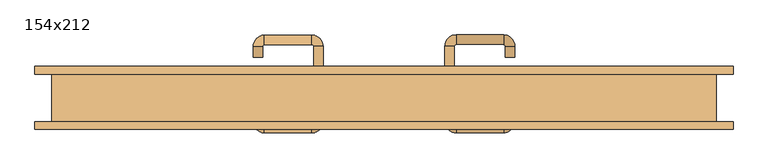
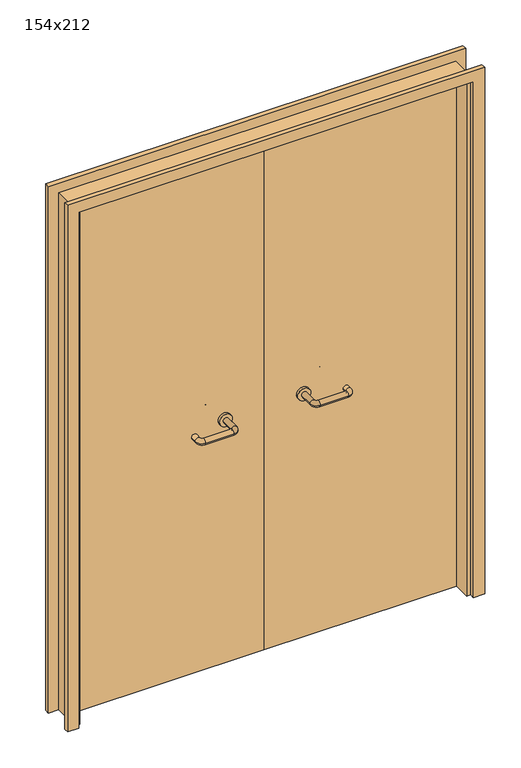
"""IFC4 building model written with IfcOpenShell, lengths in millimetres: door geometry, 154x212."""

from ifc_helpers import new_model, si_unit, point, frame, frame_2d, origin, place, context, project, spatial, polyline, circle_curve, ellipse_curve, trimmed, segment, composite_curve, outline, extrude, source, transform, mapped, element, save
from ifc_brep_helpers import plane_surface, cylinder_surface, revolved_surface, advanced_brep


def door_154x212_e9b6e6ab(model_context):
    return source(origin(), model_context, "Body", "SolidModel", [
        extrude(outline(polyline([(2159.0, 809.0), (2159.0, -809.0), (0.0, -809.0), (0.0, -765.0), (2115.0, -765.0), (2115.0, 765.0), (0.0, 765.0), (0.0, 809.0), (2159.0, 809.0)])), frame((0.0, 55.0, 0.0), z_axis=(0.0, 1.0, 0.0), x_axis=(0.0, 0.0, 1.0)), (0.0, 0.0, 1.0), 18.0),
        extrude(outline(polyline([(2159.0, -809.0), (0.0, -809.0), (0.0, -765.0), (2115.0, -765.0), (2115.0, 765.0), (0.0, 765.0), (0.0, 809.0), (2159.0, 809.0), (2159.0, -809.0)])), frame((0.0, -73.0, 0.0), z_axis=(0.0, 1.0, 0.0), x_axis=(0.0, 0.0, 1.0)), (0.0, 0.0, 1.0), 18.0),
        extrude(outline(polyline([(2120.0, -770.0), (0.0, -770.0), (0.0, -750.0), (2100.0, -750.0), (2100.0, 750.0), (0.0, 750.0), (0.0, 770.0), (2120.0, 770.0), (2120.0, -770.0)])), frame((0.0, -54.0, 0.0), z_axis=(0.0, 1.0, 0.0), x_axis=(0.0, 0.0, 1.0)), (0.0, 0.0, 1.0), 109.0),
        advanced_brep(
        [(140.99898, 1.0, 1003.0), (162.99898, 1.0, 1003.0), (140.99898, -54.3525369, 1003.0), (162.99898, -54.3525369, 1003.0), (166.99898, -58.3525369, 1003.0), (166.99898, -80.3525369, 1003.0), (276.99898, -80.3525369, 1003.0), (276.99898, -58.3525369, 1003.0), (280.99898, -54.3525369, 1003.0), (302.99898, -54.3525369, 1003.0), (302.99898, -37.0, 1003.0), (280.99898, -37.0, 1003.0)],
        [
            (0, 1, circle_curve(frame((151.99898, 1.0, 1003.0), z_axis=(0.0, 1.0, 0.0), x_axis=(1.0, 0.0, 0.0)), 11.0)),
            (1, 0, circle_curve(frame((151.99898, 1.0, 1003.0), z_axis=(0.0, 1.0, 0.0), x_axis=(1.0, 0.0, 0.0)), 11.0)),
            (0, 2),
            (2, 3, circle_curve(frame((151.99898, -54.3525369, 1003.0), z_axis=(0.0, 1.0, 0.0), x_axis=(1.0, 0.0, 0.0)), 11.0)),
            (3, 1),
            (3, 2, circle_curve(frame((151.99898, -54.3525369, 1003.0), z_axis=(0.0, 1.0, 0.0), x_axis=(1.0, 0.0, 0.0)), 11.0)),
            (4, 3, circle_curve(frame((166.99898, -54.3525369, 1003.0), z_axis=(0.0, 0.0, -1.0), x_axis=(-1.0, 0.0, 0.0)), 4.0)),
            (2, 5, circle_curve(frame((166.99898, -54.3525369, 1003.0), z_axis=(0.0, 0.0, 1.0), x_axis=(-1.0, 0.0, 0.0)), 26.0)),
            (5, 4, circle_curve(frame((166.99898, -69.3525369, 1003.0), z_axis=(-1.0, 0.0, 0.0), x_axis=(0.0, 1.0, 0.0)), 11.0)),
            (4, 5, circle_curve(frame((166.99898, -69.3525369, 1003.0), z_axis=(-1.0, 0.0, 0.0), x_axis=(0.0, 1.0, 0.0)), 11.0)),
            (5, 6),
            (6, 7, circle_curve(frame((276.99898, -69.3525369, 1003.0), z_axis=(-1.0, 0.0, 0.0), x_axis=(0.0, 1.0, 0.0)), 11.0)),
            (7, 4),
            (7, 6, circle_curve(frame((276.99898, -69.3525369, 1003.0), z_axis=(-1.0, 0.0, 0.0), x_axis=(0.0, 1.0, 0.0)), 11.0)),
            (8, 7, circle_curve(frame((276.99898, -54.3525369, 1003.0), z_axis=(0.0, 0.0, -1.0), x_axis=(0.0, -1.0, 0.0)), 4.0)),
            (6, 9, circle_curve(frame((276.99898, -54.3525369, 1003.0), z_axis=(0.0, 0.0, 1.0), x_axis=(0.0, -1.0, 0.0)), 26.0)),
            (9, 8, circle_curve(frame((291.99898, -54.3525369, 1003.0), z_axis=(0.0, -1.0, 0.0), x_axis=(-1.0, 0.0, 0.0)), 11.0)),
            (8, 9, circle_curve(frame((291.99898, -54.3525369, 1003.0), z_axis=(0.0, -1.0, 0.0), x_axis=(-1.0, 0.0, 0.0)), 11.0)),
            (10, 11, circle_curve(frame((291.99898, -37.0, 1003.0), z_axis=(0.0, 1.0, 0.0), x_axis=(-1.0, 0.0, 0.0)), 11.0)),
            (11, 10, circle_curve(frame((291.99898, -37.0, 1003.0), z_axis=(0.0, 1.0, 0.0), x_axis=(-1.0, 0.0, 0.0)), 11.0)),
            (9, 10),
            (11, 8),
        ],
        [
            plane_surface(frame((140.99898, 1.0, 1003.0), z_axis=(0.0, 1.0, 0.0), x_axis=(0.0, 0.0, -1.0))),
            cylinder_surface(frame((151.99898, 1.0, 1003.0), z_axis=(0.0, 1.0, 0.0), x_axis=(1.0, 0.0, 0.0)), 11.0),
            revolved_surface(trimmed(ellipse_curve(frame((151.99898, -54.3525369, 1003.0), z_axis=(0.0, 1.0, 0.0), x_axis=(1.0, 0.0, 0.0)), 11.0, 11.0), [point((140.99898, -54.3525369, 1003.0))], [point((162.99898, -54.3525369, 1003.0))], True, "CARTESIAN"), (166.99898, -54.3525369, 1003.0), (0.0, 0.0, 1.0)),
            revolved_surface(trimmed(ellipse_curve(frame((151.99898, -54.3525369, 1003.0), z_axis=(0.0, 1.0, 0.0), x_axis=(1.0, 0.0, 0.0)), 11.0, 11.0), [point((162.99898, -54.3525369, 1003.0))], [point((140.99898, -54.3525369, 1003.0))], True, "CARTESIAN"), (166.99898, -54.3525369, 1003.0), (0.0, 0.0, 1.0)),
            cylinder_surface(frame((166.99898, -69.3525369, 1003.0), z_axis=(-1.0, 0.0, 0.0), x_axis=(0.0, 1.0, 0.0)), 11.0),
            revolved_surface(trimmed(ellipse_curve(frame((276.99898, -69.3525369, 1003.0), z_axis=(-1.0, 0.0, 0.0), x_axis=(0.0, 1.0, 0.0)), 11.0, 11.0), [point((276.99898, -80.3525369, 1003.0))], [point((276.99898, -58.3525369, 1003.0))], True, "CARTESIAN"), (276.99898, -54.3525369, 1003.0), (0.0, 0.0, 1.0)),
            revolved_surface(trimmed(ellipse_curve(frame((276.99898, -69.3525369, 1003.0), z_axis=(-1.0, 0.0, 0.0), x_axis=(0.0, 1.0, 0.0)), 11.0, 11.0), [point((276.99898, -58.3525369, 1003.0))], [point((276.99898, -80.3525369, 1003.0))], True, "CARTESIAN"), (276.99898, -54.3525369, 1003.0), (0.0, 0.0, 1.0)),
            plane_surface(frame((280.99898, -37.0, 1003.0), z_axis=(0.0, 1.0, 0.0), x_axis=(0.0, 0.0, 1.0))),
            cylinder_surface(frame((291.99898, -54.3525369, 1003.0), z_axis=(0.0, -1.0, 0.0), x_axis=(-1.0, 0.0, 0.0)), 11.0),
        ],
        [
            (0, [[1, 2]]),
            (1, [[-1, 3, 4, 5]]),
            (1, [[-2, -5, 6, -3]]),
            (2, [[7, -4, 8, 9]]),
            (3, [[-8, -6, -7, 10]]),
            (4, [[-9, 11, 12, 13]]),
            (4, [[-10, -13, 14, -11]]),
            (5, [[15, -12, 16, 17]]),
            (6, [[-16, -14, -15, 18]]),
            (7, [[19, 20]]),
            (8, [[-17, 21, -20, 22]]),
            (8, [[-18, -22, -19, -21]]),
        ],
    ),
        extrude(outline(composite_curve([segment(trimmed(circle_curve(frame_2d((1003.0, 151.99898)), 25.0), [point((1003.0, 126.99898))], [point((1003.0, 176.99898))], False, "CARTESIAN"), True, "CONTINUOUS"), segment(trimmed(circle_curve(frame_2d((1003.0, 151.99898)), 25.0), [point((1003.0, 176.99898))], [point((1003.0, 126.99898))], False, "CARTESIAN"), True, "CONTINUOUS")], self_intersect=False)), frame((0.0, 1.0, 0.0), z_axis=(0.0, 1.0, 0.0), x_axis=(0.0, 0.0, 1.0)), (0.0, 0.0, 1.0), 10.0),
        advanced_brep(
        [(162.99898, 65.0, 1003.0), (140.99898, 65.0, 1003.0), (162.99898, 120.0, 1003.0), (140.99898, 120.0, 1003.0), (166.99898, 146.0, 1003.0), (166.99898, 124.0, 1003.0), (276.99898, 124.0, 1003.0), (276.99898, 146.0, 1003.0), (302.99898, 120.0, 1003.0), (280.99898, 120.0, 1003.0), (280.99898, 95.0, 1003.0), (302.99898, 95.0, 1003.0)],
        [
            (0, 1, circle_curve(frame((151.99898, 65.0, 1003.0), z_axis=(0.0, -1.0, 0.0), x_axis=(-1.0, 0.0, 0.0)), 11.0)),
            (1, 0, circle_curve(frame((151.99898, 65.0, 1003.0), z_axis=(0.0, -1.0, 0.0), x_axis=(-1.0, 0.0, 0.0)), 11.0)),
            (0, 2),
            (2, 3, circle_curve(frame((151.99898, 120.0, 1003.0), z_axis=(0.0, -1.0, 0.0), x_axis=(-1.0, 0.0, 0.0)), 11.0)),
            (3, 1),
            (3, 2, circle_curve(frame((151.99898, 120.0, 1003.0), z_axis=(0.0, -1.0, 0.0), x_axis=(-1.0, 0.0, 0.0)), 11.0)),
            (4, 3, circle_curve(frame((166.99898, 120.0, 1003.0), z_axis=(0.0, 0.0, 1.0), x_axis=(-1.0, 0.0, 0.0)), 26.0)),
            (2, 5, circle_curve(frame((166.99898, 120.0, 1003.0), z_axis=(0.0, 0.0, -1.0), x_axis=(-1.0, 0.0, 0.0)), 4.0)),
            (5, 4, circle_curve(frame((166.99898, 135.0, 1003.0), z_axis=(-1.0, 0.0, 0.0), x_axis=(0.0, 1.0, 0.0)), 11.0)),
            (4, 5, circle_curve(frame((166.99898, 135.0, 1003.0), z_axis=(-1.0, 0.0, 0.0), x_axis=(0.0, 1.0, 0.0)), 11.0)),
            (5, 6),
            (6, 7, circle_curve(frame((276.99898, 135.0, 1003.0), z_axis=(-1.0, 0.0, 0.0), x_axis=(0.0, 1.0, 0.0)), 11.0)),
            (7, 4),
            (7, 6, circle_curve(frame((276.99898, 135.0, 1003.0), z_axis=(-1.0, 0.0, 0.0), x_axis=(0.0, 1.0, 0.0)), 11.0)),
            (8, 7, circle_curve(frame((276.99898, 120.0, 1003.0), z_axis=(0.0, 0.0, 1.0), x_axis=(0.0, 1.0, 0.0)), 26.0)),
            (6, 9, circle_curve(frame((276.99898, 120.0, 1003.0), z_axis=(0.0, 0.0, -1.0), x_axis=(0.0, 1.0, 0.0)), 4.0)),
            (9, 8, circle_curve(frame((291.99898, 120.0, 1003.0), z_axis=(0.0, 1.0, 0.0), x_axis=(1.0, 0.0, 0.0)), 11.0)),
            (8, 9, circle_curve(frame((291.99898, 120.0, 1003.0), z_axis=(0.0, 1.0, 0.0), x_axis=(1.0, 0.0, 0.0)), 11.0)),
            (10, 11, circle_curve(frame((291.99898, 95.0, 1003.0), z_axis=(0.0, -1.0, 0.0), x_axis=(1.0, 0.0, 0.0)), 11.0)),
            (11, 10, circle_curve(frame((291.99898, 95.0, 1003.0), z_axis=(0.0, -1.0, 0.0), x_axis=(1.0, 0.0, 0.0)), 11.0)),
            (9, 10),
            (11, 8),
        ],
        [
            plane_surface(frame((140.99898, 65.0, 1003.0), z_axis=(0.0, -1.0, 0.0), x_axis=(0.0, 0.0, 1.0))),
            cylinder_surface(frame((151.99898, 65.0, 1003.0), z_axis=(0.0, -1.0, 0.0), x_axis=(-1.0, 0.0, 0.0)), 11.0),
            revolved_surface(trimmed(ellipse_curve(frame((151.99898, 120.0, 1003.0), z_axis=(0.0, -1.0, 0.0), x_axis=(-1.0, 0.0, 0.0)), 11.0, 11.0), [point((162.99898, 120.0, 1003.0))], [point((140.99898, 120.0, 1003.0))], True, "CARTESIAN"), (166.99898, 120.0, 1003.0), (0.0, 0.0, -1.0)),
            revolved_surface(trimmed(ellipse_curve(frame((151.99898, 120.0, 1003.0), z_axis=(0.0, -1.0, 0.0), x_axis=(-1.0, 0.0, 0.0)), 11.0, 11.0), [point((140.99898, 120.0, 1003.0))], [point((162.99898, 120.0, 1003.0))], True, "CARTESIAN"), (166.99898, 120.0, 1003.0), (0.0, 0.0, -1.0)),
            cylinder_surface(frame((166.99898, 135.0, 1003.0), z_axis=(-1.0, 0.0, 0.0), x_axis=(0.0, 1.0, 0.0)), 11.0),
            revolved_surface(trimmed(ellipse_curve(frame((276.99898, 135.0, 1003.0), z_axis=(-1.0, 0.0, 0.0), x_axis=(0.0, 1.0, 0.0)), 11.0, 11.0), [point((276.99898, 124.0, 1003.0))], [point((276.99898, 146.0, 1003.0))], True, "CARTESIAN"), (276.99898, 120.0, 1003.0), (0.0, 0.0, -1.0)),
            revolved_surface(trimmed(ellipse_curve(frame((276.99898, 135.0, 1003.0), z_axis=(-1.0, 0.0, 0.0), x_axis=(0.0, 1.0, 0.0)), 11.0, 11.0), [point((276.99898, 146.0, 1003.0))], [point((276.99898, 124.0, 1003.0))], True, "CARTESIAN"), (276.99898, 120.0, 1003.0), (0.0, 0.0, -1.0)),
            plane_surface(frame((280.99898, 95.0, 1003.0), z_axis=(0.0, -1.0, 0.0), x_axis=(0.0, 0.0, -1.0))),
            cylinder_surface(frame((291.99898, 120.0, 1003.0), z_axis=(0.0, 1.0, 0.0), x_axis=(1.0, 0.0, 0.0)), 11.0),
        ],
        [
            (0, [[1, 2]]),
            (1, [[-1, 3, 4, 5]]),
            (1, [[-2, -5, 6, -3]]),
            (2, [[7, -4, 8, 9]]),
            (3, [[-8, -6, -7, 10]]),
            (4, [[-9, 11, 12, 13]]),
            (4, [[-10, -13, 14, -11]]),
            (5, [[15, -12, 16, 17]]),
            (6, [[-16, -14, -15, 18]]),
            (7, [[19, 20]]),
            (8, [[-17, 21, -20, 22]]),
            (8, [[-18, -22, -19, -21]]),
        ],
    ),
        extrude(outline(composite_curve([segment(trimmed(circle_curve(frame_2d((1003.0, 151.99898)), 25.0), [point((1003.0, 176.99898))], [point((1003.0, 126.99898))], False, "CARTESIAN"), True, "CONTINUOUS"), segment(trimmed(circle_curve(frame_2d((1003.0, 151.99898)), 25.0), [point((1003.0, 126.99898))], [point((1003.0, 176.99898))], False, "CARTESIAN"), True, "CONTINUOUS")], self_intersect=False)), frame((0.0, 55.0, 0.0), z_axis=(0.0, 1.0, 0.0), x_axis=(0.0, 0.0, 1.0)), (0.0, 0.0, 1.0), 10.0),
        advanced_brep(
        [(-162.99898, 0.6886121, 1003.0), (-140.99898, 0.6886121, 1003.0), (-162.99898, -54.7220447, 1003.0), (-140.99898, -54.7220447, 1003.0), (-166.99898, -80.7220447, 1003.0), (-166.99898, -58.7220447, 1003.0), (-276.99898, -58.7220447, 1003.0), (-276.99898, -80.7220447, 1003.0), (-302.99898, -54.7220447, 1003.0), (-280.99898, -54.7220447, 1003.0), (-280.99898, -29.7220447, 1003.0), (-302.99898, -29.7220447, 1003.0)],
        [
            (0, 1, circle_curve(frame((-151.99898, 0.6886121, 1003.0), z_axis=(0.0, 1.0, 0.0), x_axis=(1.0, 0.0, 0.0)), 11.0)),
            (1, 0, circle_curve(frame((-151.99898, 0.6886121, 1003.0), z_axis=(0.0, 1.0, 0.0), x_axis=(1.0, 0.0, 0.0)), 11.0)),
            (0, 2),
            (2, 3, circle_curve(frame((-151.99898, -54.7220447, 1003.0), z_axis=(0.0, 1.0, 0.0), x_axis=(1.0, 0.0, 0.0)), 11.0)),
            (3, 1),
            (3, 2, circle_curve(frame((-151.99898, -54.7220447, 1003.0), z_axis=(0.0, 1.0, 0.0), x_axis=(1.0, 0.0, 0.0)), 11.0)),
            (4, 3, circle_curve(frame((-166.99898, -54.7220447, 1003.0), z_axis=(0.0, 0.0, 1.0), x_axis=(1.0, 0.0, 0.0)), 26.0)),
            (2, 5, circle_curve(frame((-166.99898, -54.7220447, 1003.0), z_axis=(0.0, 0.0, -1.0), x_axis=(1.0, 0.0, 0.0)), 4.0)),
            (5, 4, circle_curve(frame((-166.99898, -69.7220447, 1003.0), z_axis=(1.0, 0.0, 0.0), x_axis=(0.0, -1.0, 0.0)), 11.0)),
            (4, 5, circle_curve(frame((-166.99898, -69.7220447, 1003.0), z_axis=(1.0, 0.0, 0.0), x_axis=(0.0, -1.0, 0.0)), 11.0)),
            (5, 6),
            (6, 7, circle_curve(frame((-276.99898, -69.7220447, 1003.0), z_axis=(1.0, 0.0, 0.0), x_axis=(0.0, -1.0, 0.0)), 11.0)),
            (7, 4),
            (7, 6, circle_curve(frame((-276.99898, -69.7220447, 1003.0), z_axis=(1.0, 0.0, 0.0), x_axis=(0.0, -1.0, 0.0)), 11.0)),
            (8, 7, circle_curve(frame((-276.99898, -54.7220447, 1003.0), z_axis=(0.0, 0.0, 1.0), x_axis=(0.0, -1.0, 0.0)), 26.0)),
            (6, 9, circle_curve(frame((-276.99898, -54.7220447, 1003.0), z_axis=(0.0, 0.0, -1.0), x_axis=(0.0, -1.0, 0.0)), 4.0)),
            (9, 8, circle_curve(frame((-291.99898, -54.7220447, 1003.0), z_axis=(0.0, -1.0, 0.0), x_axis=(-1.0, 0.0, 0.0)), 11.0)),
            (8, 9, circle_curve(frame((-291.99898, -54.7220447, 1003.0), z_axis=(0.0, -1.0, 0.0), x_axis=(-1.0, 0.0, 0.0)), 11.0)),
            (10, 11, circle_curve(frame((-291.99898, -29.7220447, 1003.0), z_axis=(0.0, 1.0, 0.0), x_axis=(-1.0, 0.0, 0.0)), 11.0)),
            (11, 10, circle_curve(frame((-291.99898, -29.7220447, 1003.0), z_axis=(0.0, 1.0, 0.0), x_axis=(-1.0, 0.0, 0.0)), 11.0)),
            (9, 10),
            (11, 8),
        ],
        [
            plane_surface(frame((-162.99898, 0.6886121, 1003.0), z_axis=(0.0, 1.0, 0.0), x_axis=(0.0, 0.0, -1.0))),
            cylinder_surface(frame((-151.99898, 0.6886121, 1003.0), z_axis=(0.0, 1.0, 0.0), x_axis=(1.0, 0.0, 0.0)), 11.0),
            revolved_surface(trimmed(ellipse_curve(frame((-151.99898, -54.7220447, 1003.0), z_axis=(0.0, 1.0, 0.0), x_axis=(1.0, 0.0, 0.0)), 11.0, 11.0), [point((-162.99898, -54.7220447, 1003.0))], [point((-140.99898, -54.7220447, 1003.0))], True, "CARTESIAN"), (-166.99898, -54.7220447, 1003.0), (0.0, 0.0, -1.0)),
            revolved_surface(trimmed(ellipse_curve(frame((-151.99898, -54.7220447, 1003.0), z_axis=(0.0, 1.0, 0.0), x_axis=(1.0, 0.0, 0.0)), 11.0, 11.0), [point((-140.99898, -54.7220447, 1003.0))], [point((-162.99898, -54.7220447, 1003.0))], True, "CARTESIAN"), (-166.99898, -54.7220447, 1003.0), (0.0, 0.0, -1.0)),
            cylinder_surface(frame((-166.99898, -69.7220447, 1003.0), z_axis=(1.0, 0.0, 0.0), x_axis=(0.0, -1.0, 0.0)), 11.0),
            revolved_surface(trimmed(ellipse_curve(frame((-276.99898, -69.7220447, 1003.0), z_axis=(1.0, 0.0, 0.0), x_axis=(0.0, -1.0, 0.0)), 11.0, 11.0), [point((-276.99898, -58.7220447, 1003.0))], [point((-276.99898, -80.7220447, 1003.0))], True, "CARTESIAN"), (-276.99898, -54.7220447, 1003.0), (0.0, 0.0, -1.0)),
            revolved_surface(trimmed(ellipse_curve(frame((-276.99898, -69.7220447, 1003.0), z_axis=(1.0, 0.0, 0.0), x_axis=(0.0, -1.0, 0.0)), 11.0, 11.0), [point((-276.99898, -80.7220447, 1003.0))], [point((-276.99898, -58.7220447, 1003.0))], True, "CARTESIAN"), (-276.99898, -54.7220447, 1003.0), (0.0, 0.0, -1.0)),
            plane_surface(frame((-302.99898, -29.7220447, 1003.0), z_axis=(0.0, 1.0, 0.0), x_axis=(0.0, 0.0, 1.0))),
            cylinder_surface(frame((-291.99898, -54.7220447, 1003.0), z_axis=(0.0, -1.0, 0.0), x_axis=(-1.0, 0.0, 0.0)), 11.0),
        ],
        [
            (0, [[1, 2]]),
            (1, [[-1, 3, 4, 5]]),
            (1, [[-2, -5, 6, -3]]),
            (2, [[7, -4, 8, 9]]),
            (3, [[-8, -6, -7, 10]]),
            (4, [[-9, 11, 12, 13]]),
            (4, [[-10, -13, 14, -11]]),
            (5, [[15, -12, 16, 17]]),
            (6, [[-16, -14, -15, 18]]),
            (7, [[19, 20]]),
            (8, [[-17, 21, -20, 22]]),
            (8, [[-18, -22, -19, -21]]),
        ],
    ),
        extrude(outline(composite_curve([segment(trimmed(circle_curve(frame_2d((1003.0, -151.99898)), 25.0), [point((1003.0, -176.99898))], [point((1003.0, -126.99898))], False, "CARTESIAN"), True, "CONTINUOUS"), segment(trimmed(circle_curve(frame_2d((1003.0, -151.99898)), 25.0), [point((1003.0, -126.99898))], [point((1003.0, -176.99898))], False, "CARTESIAN"), True, "CONTINUOUS")], self_intersect=False)), frame((0.0, 0.6886121, 0.0), z_axis=(0.0, 1.0, 0.0), x_axis=(0.0, 0.0, 1.0)), (0.0, 0.0, 1.0), 10.3113879),
        advanced_brep(
        [(-140.99898, 64.5143417, 1003.0), (-162.99898, 64.5143417, 1003.0), (-140.99898, 119.6104656, 1003.0), (-162.99898, 119.6104656, 1003.0), (-166.99898, 123.6104656, 1003.0), (-166.99898, 145.6104656, 1003.0), (-276.99898, 145.6104656, 1003.0), (-276.99898, 123.6104656, 1003.0), (-280.99898, 119.6104656, 1003.0), (-302.99898, 119.6104656, 1003.0), (-302.99898, 94.6104656, 1003.0), (-280.99898, 94.6104656, 1003.0)],
        [
            (0, 1, circle_curve(frame((-151.99898, 64.5143417, 1003.0), z_axis=(0.0, -1.0, 0.0), x_axis=(-1.0, 0.0, 0.0)), 11.0)),
            (1, 0, circle_curve(frame((-151.99898, 64.5143417, 1003.0), z_axis=(0.0, -1.0, 0.0), x_axis=(-1.0, 0.0, 0.0)), 11.0)),
            (0, 2),
            (2, 3, circle_curve(frame((-151.99898, 119.6104656, 1003.0), z_axis=(0.0, -1.0, 0.0), x_axis=(-1.0, 0.0, 0.0)), 11.0)),
            (3, 1),
            (3, 2, circle_curve(frame((-151.99898, 119.6104656, 1003.0), z_axis=(0.0, -1.0, 0.0), x_axis=(-1.0, 0.0, 0.0)), 11.0)),
            (4, 3, circle_curve(frame((-166.99898, 119.6104656, 1003.0), z_axis=(0.0, 0.0, -1.0), x_axis=(1.0, 0.0, 0.0)), 4.0)),
            (2, 5, circle_curve(frame((-166.99898, 119.6104656, 1003.0), z_axis=(0.0, 0.0, 1.0), x_axis=(1.0, 0.0, 0.0)), 26.0)),
            (5, 4, circle_curve(frame((-166.99898, 134.6104656, 1003.0), z_axis=(1.0, 0.0, 0.0), x_axis=(0.0, -1.0, 0.0)), 11.0)),
            (4, 5, circle_curve(frame((-166.99898, 134.6104656, 1003.0), z_axis=(1.0, 0.0, 0.0), x_axis=(0.0, -1.0, 0.0)), 11.0)),
            (5, 6),
            (6, 7, circle_curve(frame((-276.99898, 134.6104656, 1003.0), z_axis=(1.0, 0.0, 0.0), x_axis=(0.0, -1.0, 0.0)), 11.0)),
            (7, 4),
            (7, 6, circle_curve(frame((-276.99898, 134.6104656, 1003.0), z_axis=(1.0, 0.0, 0.0), x_axis=(0.0, -1.0, 0.0)), 11.0)),
            (8, 7, circle_curve(frame((-276.99898, 119.6104656, 1003.0), z_axis=(0.0, 0.0, -1.0), x_axis=(0.0, 1.0, 0.0)), 4.0)),
            (6, 9, circle_curve(frame((-276.99898, 119.6104656, 1003.0), z_axis=(0.0, 0.0, 1.0), x_axis=(0.0, 1.0, 0.0)), 26.0)),
            (9, 8, circle_curve(frame((-291.99898, 119.6104656, 1003.0), z_axis=(0.0, 1.0, 0.0), x_axis=(1.0, 0.0, 0.0)), 11.0)),
            (8, 9, circle_curve(frame((-291.99898, 119.6104656, 1003.0), z_axis=(0.0, 1.0, 0.0), x_axis=(1.0, 0.0, 0.0)), 11.0)),
            (10, 11, circle_curve(frame((-291.99898, 94.6104656, 1003.0), z_axis=(0.0, -1.0, 0.0), x_axis=(1.0, 0.0, 0.0)), 11.0)),
            (11, 10, circle_curve(frame((-291.99898, 94.6104656, 1003.0), z_axis=(0.0, -1.0, 0.0), x_axis=(1.0, 0.0, 0.0)), 11.0)),
            (9, 10),
            (11, 8),
        ],
        [
            plane_surface(frame((-162.99898, 64.5143417, 1003.0), z_axis=(0.0, -1.0, 0.0), x_axis=(0.0, 0.0, 1.0))),
            cylinder_surface(frame((-151.99898, 64.5143417, 1003.0), z_axis=(0.0, -1.0, 0.0), x_axis=(-1.0, 0.0, 0.0)), 11.0),
            revolved_surface(trimmed(ellipse_curve(frame((-151.99898, 119.6104656, 1003.0), z_axis=(0.0, -1.0, 0.0), x_axis=(-1.0, 0.0, 0.0)), 11.0, 11.0), [point((-140.99898, 119.6104656, 1003.0))], [point((-162.99898, 119.6104656, 1003.0))], True, "CARTESIAN"), (-166.99898, 119.6104656, 1003.0), (0.0, 0.0, 1.0)),
            revolved_surface(trimmed(ellipse_curve(frame((-151.99898, 119.6104656, 1003.0), z_axis=(0.0, -1.0, 0.0), x_axis=(-1.0, 0.0, 0.0)), 11.0, 11.0), [point((-162.99898, 119.6104656, 1003.0))], [point((-140.99898, 119.6104656, 1003.0))], True, "CARTESIAN"), (-166.99898, 119.6104656, 1003.0), (0.0, 0.0, 1.0)),
            cylinder_surface(frame((-166.99898, 134.6104656, 1003.0), z_axis=(1.0, 0.0, 0.0), x_axis=(0.0, -1.0, 0.0)), 11.0),
            revolved_surface(trimmed(ellipse_curve(frame((-276.99898, 134.6104656, 1003.0), z_axis=(1.0, 0.0, 0.0), x_axis=(0.0, -1.0, 0.0)), 11.0, 11.0), [point((-276.99898, 145.6104656, 1003.0))], [point((-276.99898, 123.6104656, 1003.0))], True, "CARTESIAN"), (-276.99898, 119.6104656, 1003.0), (0.0, 0.0, 1.0)),
            revolved_surface(trimmed(ellipse_curve(frame((-276.99898, 134.6104656, 1003.0), z_axis=(1.0, 0.0, 0.0), x_axis=(0.0, -1.0, 0.0)), 11.0, 11.0), [point((-276.99898, 123.6104656, 1003.0))], [point((-276.99898, 145.6104656, 1003.0))], True, "CARTESIAN"), (-276.99898, 119.6104656, 1003.0), (0.0, 0.0, 1.0)),
            plane_surface(frame((-302.99898, 94.6104656, 1003.0), z_axis=(0.0, -1.0, 0.0), x_axis=(0.0, 0.0, -1.0))),
            cylinder_surface(frame((-291.99898, 119.6104656, 1003.0), z_axis=(0.0, 1.0, 0.0), x_axis=(1.0, 0.0, 0.0)), 11.0),
        ],
        [
            (0, [[1, 2]]),
            (1, [[-1, 3, 4, 5]]),
            (1, [[-2, -5, 6, -3]]),
            (2, [[7, -4, 8, 9]]),
            (3, [[-8, -6, -7, 10]]),
            (4, [[-9, 11, 12, 13]]),
            (4, [[-10, -13, 14, -11]]),
            (5, [[15, -12, 16, 17]]),
            (6, [[-16, -14, -15, 18]]),
            (7, [[19, 20]]),
            (8, [[-17, 21, -20, 22]]),
            (8, [[-18, -22, -19, -21]]),
        ],
    ),
        extrude(outline(composite_curve([segment(trimmed(circle_curve(frame_2d((1003.0, -151.99898)), 25.0), [point((1003.0, -126.99898))], [point((1003.0, -176.99898))], False, "CARTESIAN"), True, "CONTINUOUS"), segment(trimmed(circle_curve(frame_2d((1003.0, -151.99898)), 25.0), [point((1003.0, -176.99898))], [point((1003.0, -126.99898))], False, "CARTESIAN"), True, "CONTINUOUS")], self_intersect=False)), frame((0.0, 55.0, 0.0), z_axis=(0.0, 1.0, 0.0), x_axis=(0.0, 0.0, 1.0)), (0.0, 0.0, 1.0), 9.5143417),
        extrude(outline(polyline([(1.0739506, 11.0), (-747.0, 11.0), (-747.0, 55.0), (1.0739506, 55.0), (1.0739506, 11.0)])), frame((0.0, 0.0, 1.753223), z_axis=(0.0, 0.0, 1.0), x_axis=(1.0, 0.0, 0.0)), (0.0, 0.0, 1.0), 2098.246777),
        extrude(outline(polyline([(747.0, 11.0), (1.0739506, 11.0), (1.0739506, 55.0), (747.0, 55.0), (747.0, 11.0)])), frame((0.0, 0.0, 1.753223), z_axis=(0.0, 0.0, 1.0), x_axis=(1.0, 0.0, 0.0)), (0.0, 0.0, 1.0), 2098.246777),
    ])


if __name__ == "__main__":
    model = new_model("IFC4")
    model_context = context("Model", 3, world=origin())
    ifc_project = project(units=[si_unit("LENGTHUNIT", "METRE", prefix="MILLI")], contexts=[model_context])
    site = spatial("IfcSite", under=ifc_project)
    building = spatial("IfcBuilding", under=site)
    placement = place(None, origin())
    door_154x212_shape = door_154x212_e9b6e6ab(model_context)
    element("IfcDoor", 1, ObjectType="154x212", at=placement, inside=building, context=model_context, shape_type="MappedRepresentation", body=[
        mapped(door_154x212_shape, transform((0.0, 0.0, 0.0), x_axis=(1.0, 0.0, 0.0), y_axis=(0.0, 1.0, 0.0), z_axis=(0.0, 0.0, 1.0))),
    ])
    save(model, "model.ifc")
